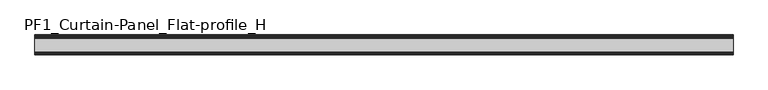
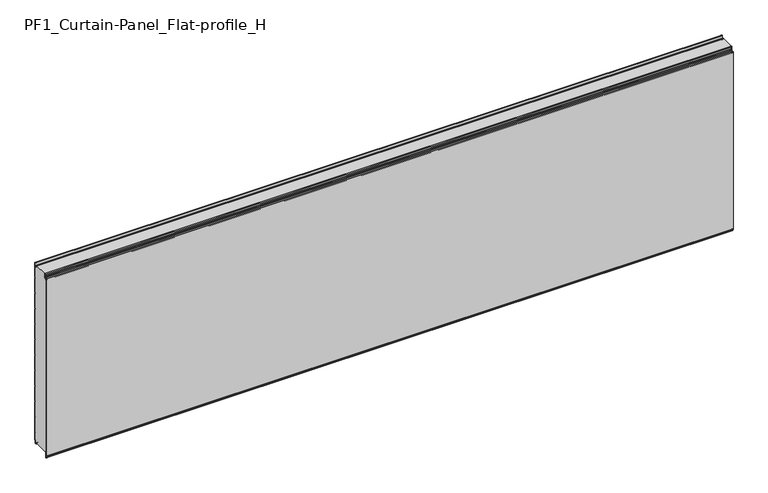
"""IFC4 building model written with IfcOpenShell, lengths in millimetres: plate geometry, PF1_Curtain-Panel_Flat-profile_H."""

from ifc_helpers import new_model, si_unit, point, frame, frame_2d, origin, place, context, project, spatial, polyline, circle_curve, trimmed, segment, composite_curve, outline, extrude, source, transform, mapped, element, save


def pf1_curtain_panel_flat_profile_h_2a830295(model_context):
    return source(origin(), model_context, "Body", "SweptSolid", [
        extrude(outline(composite_curve([segment(polyline([(-15.878557, 0.0), (-20.0, 0.0), (-20.0, 0.8), (-15.878557, 0.8)]), True, "CONTINUOUS"), segment(trimmed(circle_curve(frame_2d((-15.878557, -2.0)), 2.8), [point((-15.878557, 0.8))], [point((-13.1503208, -1.370137))], False, "CARTESIAN"), True, "CONTINUOUS"), segment(polyline([(-13.1503208, -1.370137), (-11.728236, -7.529863)]), True, "CONTINUOUS"), segment(trimmed(circle_curve(frame_2d((-9.0, -6.9)), 2.8), [point((-11.728236, -7.529863))], [point((-6.2, -6.9))], True, "CARTESIAN"), True, "CONTINUOUS"), segment(polyline([(-6.2, -6.9), (-6.2, 8.6)]), True, "CONTINUOUS"), segment(trimmed(circle_curve(frame_2d((-3.4, 8.6)), 2.8), [point((-6.2, 8.6))], [point((-3.4, 11.4))], False, "CARTESIAN"), True, "CONTINUOUS"), segment(polyline([(-3.4, 11.4), (-2.0, 11.4)]), True, "CONTINUOUS"), segment(trimmed(circle_curve(frame_2d((-2.0, 12.6)), 1.2), [point((-2.0, 11.4))], [point((-0.8, 12.6))], True, "CARTESIAN"), True, "CONTINUOUS"), segment(polyline([(-0.8, 12.6), (-0.8, 57.6856412), (-2.482606, 60.6), (-0.8, 63.5143588), (-0.8, 157.6856412), (-2.482606, 160.6), (-0.8, 163.5143588), (-0.8, 257.6856412), (-2.482606, 260.6), (-0.8, 263.5143588), (-0.8, 357.6856412), (-2.482606, 360.6), (-0.8, 363.5143588), (-0.8, 457.6856412), (-2.482606, 460.6), (-0.8, 463.5143588), (-0.8, 557.6856412), (-2.482606, 560.6), (-0.8, 563.5143588), (-0.8, 657.6856412), (-2.482606, 660.6), (-0.8, 663.5143588), (-0.8, 757.6856412), (-2.482606, 760.6), (-0.8, 763.5143588), (-0.8, 857.6856412), (-2.482606, 860.6), (-0.8, 863.5143588), (-0.8, 957.6856412), (-2.482606, 960.6), (-0.8, 963.5143588), (-0.8, 1057.6856412), (-2.482606, 1060.6), (-0.8, 1063.5143588), (-0.8, 1158.268846)]), True, "CONTINUOUS"), segment(trimmed(circle_curve(frame_2d((-2.5, 1158.268846)), 1.7), [point((-0.8, 1158.268846))], [point((-4.2, 1158.268846))], True, "CARTESIAN"), True, "CONTINUOUS"), segment(polyline([(-4.2, 1158.268846), (-4.2, 1141.268846)]), True, "CONTINUOUS"), segment(trimmed(circle_curve(frame_2d((-9.0, 1141.268846)), 4.8), [point((-4.2, 1141.268846))], [point((-13.7270771, 1140.4353344))], False, "CARTESIAN"), True, "CONTINUOUS"), segment(polyline([(-13.7270771, 1140.4353344), (-14.8636953, 1146.8814129)]), True, "CONTINUOUS"), segment(trimmed(circle_curve(frame_2d((-16.6363492, 1146.568846)), 1.8), [point((-14.8636953, 1146.8814129))], [point((-16.6363492, 1148.368846))], True, "CARTESIAN"), True, "CONTINUOUS"), segment(polyline([(-16.6363492, 1148.368846), (-20.0, 1148.368846), (-20.0, 1149.168846), (-16.6363492, 1149.168846)]), True, "CONTINUOUS"), segment(trimmed(circle_curve(frame_2d((-16.6363492, 1146.568846)), 2.6), [point((-16.6363492, 1149.168846))], [point((-14.0758491, 1147.0203315))], False, "CARTESIAN"), True, "CONTINUOUS"), segment(polyline([(-14.0758491, 1147.0203315), (-12.939231, 1140.574253)]), True, "CONTINUOUS"), segment(trimmed(circle_curve(frame_2d((-9.0, 1141.268846)), 4.0), [point((-12.939231, 1140.574253))], [point((-5.0, 1141.268846))], True, "CARTESIAN"), True, "CONTINUOUS"), segment(polyline([(-5.0, 1141.268846), (-5.0, 1158.268846)]), True, "CONTINUOUS"), segment(trimmed(circle_curve(frame_2d((-2.5, 1158.268846)), 2.5), [point((-5.0, 1158.268846))], [point((0.0, 1158.268846))], False, "CARTESIAN"), True, "CONTINUOUS"), segment(polyline([(0.0, 1158.268846), (0.0, 1063.2999995), (-1.5588455, 1060.6), (0.0, 1057.9000005), (0.0, 963.2999995), (-1.5588455, 960.6), (0.0, 957.9000005), (0.0, 863.2999995), (-1.5588455, 860.6), (0.0, 857.9000005), (0.0, 763.2999995), (-1.5588455, 760.6), (0.0, 757.9000005), (0.0, 663.2999995), (-1.5588455, 660.6), (0.0, 657.9000005), (0.0, 563.2999995), (-1.5588455, 560.6), (0.0, 557.9000005), (0.0, 463.2999995), (-1.5588455, 460.6), (0.0, 457.9000005), (0.0, 363.2999995), (-1.5588455, 360.6), (0.0, 357.9000005), (0.0, 263.2999995), (-1.5588455, 260.6), (0.0, 257.9000005), (0.0, 163.2999995), (-1.5588455, 160.6), (0.0, 157.9000005), (0.0, 63.2999995), (-1.5588455, 60.6), (0.0, 57.9000005), (0.0, 12.6)]), True, "CONTINUOUS"), segment(trimmed(circle_curve(frame_2d((-2.0, 12.6)), 2.0), [point((0.0, 12.6))], [point((-2.0, 10.6))], False, "CARTESIAN"), True, "CONTINUOUS"), segment(polyline([(-2.0, 10.6), (-3.4, 10.6)]), True, "CONTINUOUS"), segment(trimmed(circle_curve(frame_2d((-3.4, 8.6)), 2.0), [point((-3.4, 10.6))], [point((-5.4, 8.6))], True, "CARTESIAN"), True, "CONTINUOUS"), segment(polyline([(-5.4, 8.6), (-5.4, -6.9)]), True, "CONTINUOUS"), segment(trimmed(circle_curve(frame_2d((-9.0, -6.9)), 3.6), [point((-5.4, -6.9))], [point((-12.5077322, -7.7098239))], False, "CARTESIAN"), True, "CONTINUOUS"), segment(polyline([(-12.5077322, -7.7098239), (-13.929817, -1.5500979)]), True, "CONTINUOUS"), segment(trimmed(circle_curve(frame_2d((-15.878557, -2.0)), 2.0), [point((-13.929817, -1.5500979))], [point((-15.878557, 0.0))], True, "CARTESIAN"), True, "CONTINUOUS")], self_intersect=False)), frame((-2100.0, 0.0, 0.0), z_axis=(1.0, 0.0, 0.0), x_axis=(0.0, 1.0, 0.0)), (0.0, 0.0, 1.0), 4200.0),
        extrude(outline(composite_curve([segment(polyline([(-110.0, 0.0), (-113.5, 0.0)]), True, "CONTINUOUS"), segment(trimmed(circle_curve(frame_2d((-113.5, -2.0)), 2.0), [point((-113.5, 0.0))], [point((-115.5, -2.0))], True, "CARTESIAN"), True, "CONTINUOUS"), segment(polyline([(-115.5, -2.0), (-115.5, -33.0)]), True, "CONTINUOUS"), segment(trimmed(circle_curve(frame_2d((-116.5, -33.0)), 1.0), [point((-115.5, -33.0))], [point((-117.5, -33.0))], False, "CARTESIAN"), True, "CONTINUOUS"), segment(polyline([(-117.5, -33.0), (-117.5, -26.9)]), True, "CONTINUOUS"), segment(trimmed(circle_curve(frame_2d((-118.4, -26.9)), 0.9), [point((-117.5, -26.9))], [point((-118.4, -26.0))], True, "CARTESIAN"), True, "CONTINUOUS"), segment(trimmed(circle_curve(frame_2d((-118.4, -24.4)), 1.6), [point((-118.4, -26.0))], [point((-120.0, -24.4))], False, "CARTESIAN"), True, "CONTINUOUS"), segment(polyline([(-120.0, -24.4), (-120.0, 1123.168846)]), True, "CONTINUOUS"), segment(trimmed(circle_curve(frame_2d((-119.0, 1123.168846)), 1.0), [point((-120.0, 1123.168846))], [point((-118.0, 1123.168846))], False, "CARTESIAN"), True, "CONTINUOUS"), segment(polyline([(-118.0, 1123.168846), (-118.0, 1117.168846)]), True, "CONTINUOUS"), segment(trimmed(circle_curve(frame_2d((-116.5, 1117.168846)), 1.5), [point((-118.0, 1117.168846))], [point((-115.0, 1117.168846))], True, "CARTESIAN"), True, "CONTINUOUS"), segment(polyline([(-115.0, 1117.168846), (-115.0, 1117.9964664)]), True, "CONTINUOUS"), segment(trimmed(circle_curve(frame_2d((-108.8276204, 1117.9964664)), 6.1723796), [point((-115.0, 1117.9964664))], [point((-108.8276204, 1124.168846))], False, "CARTESIAN"), True, "CONTINUOUS"), segment(polyline([(-108.8276204, 1124.168846), (-108.0, 1124.168846)]), True, "CONTINUOUS"), segment(trimmed(circle_curve(frame_2d((-108.0, 1125.168846)), 1.0), [point((-108.0, 1124.168846))], [point((-107.0, 1125.168846))], True, "CARTESIAN"), True, "CONTINUOUS"), segment(polyline([(-107.0, 1125.168846), (-107.0, 1131.6688472), (-105.4999999, 1133.168846), (-107.0, 1134.6688448), (-107.0, 1146.568846)]), True, "CONTINUOUS"), segment(trimmed(circle_curve(frame_2d((-104.4, 1146.568846)), 2.6), [point((-107.0, 1146.568846))], [point((-104.4, 1149.168846))], False, "CARTESIAN"), True, "CONTINUOUS"), segment(polyline([(-104.4, 1149.168846), (-103.0, 1149.168846), (-103.0, 1148.368846), (-104.4, 1148.368846)]), True, "CONTINUOUS"), segment(trimmed(circle_curve(frame_2d((-104.4, 1146.568846)), 1.8), [point((-104.4, 1148.368846))], [point((-106.2, 1146.568846))], True, "CARTESIAN"), True, "CONTINUOUS"), segment(polyline([(-106.2, 1146.568846), (-106.2, 1135.0002158), (-104.3686285, 1133.168846), (-106.2, 1131.3374762), (-106.2, 1125.168846)]), True, "CONTINUOUS"), segment(trimmed(circle_curve(frame_2d((-108.0, 1125.168846)), 1.8), [point((-106.2, 1125.168846))], [point((-108.0, 1123.368846))], False, "CARTESIAN"), True, "CONTINUOUS"), segment(polyline([(-108.0, 1123.368846), (-108.8276204, 1123.368846)]), True, "CONTINUOUS"), segment(trimmed(circle_curve(frame_2d((-108.8276204, 1117.9964664)), 5.3723796), [point((-108.8276204, 1123.368846))], [point((-114.2, 1117.9964664))], True, "CARTESIAN"), True, "CONTINUOUS"), segment(polyline([(-114.2, 1117.9964664), (-114.2, 1117.168846)]), True, "CONTINUOUS"), segment(trimmed(circle_curve(frame_2d((-116.4, 1117.168846)), 2.2), [point((-114.2, 1117.168846))], [point((-118.6, 1117.168846))], False, "CARTESIAN"), True, "CONTINUOUS"), segment(polyline([(-118.6, 1117.168846), (-118.6, 1123.0579973)]), True, "CONTINUOUS"), segment(trimmed(circle_curve(frame_2d((-118.9, 1123.0579973)), 0.3), [point((-118.6, 1123.0579973))], [point((-119.2, 1123.0579973))], True, "CARTESIAN"), True, "CONTINUOUS"), segment(polyline([(-119.2, 1123.0579973), (-119.2, -24.4)]), True, "CONTINUOUS"), segment(trimmed(circle_curve(frame_2d((-118.4, -24.4)), 0.8), [point((-119.2, -24.4))], [point((-118.4, -25.2))], True, "CARTESIAN"), True, "CONTINUOUS"), segment(trimmed(circle_curve(frame_2d((-118.6133333, -26.9)), 1.7133333), [point((-118.4, -25.2))], [point((-116.9, -26.9))], False, "CARTESIAN"), True, "CONTINUOUS"), segment(polyline([(-116.9, -26.9), (-116.9, -32.8700312)]), True, "CONTINUOUS"), segment(trimmed(circle_curve(frame_2d((-116.6, -32.8700312)), 0.3), [point((-116.9, -32.8700312))], [point((-116.3, -32.8700312))], True, "CARTESIAN"), True, "CONTINUOUS"), segment(polyline([(-116.3, -32.8700312), (-116.3, -2.0)]), True, "CONTINUOUS"), segment(trimmed(circle_curve(frame_2d((-113.5, -2.0)), 2.8), [point((-116.3, -2.0))], [point((-113.5, 0.8))], False, "CARTESIAN"), True, "CONTINUOUS"), segment(polyline([(-113.5, 0.8), (-110.0, 0.8), (-110.0, 0.0)]), True, "CONTINUOUS")], self_intersect=False)), frame((-2100.0, 0.0, 0.0), z_axis=(1.0, 0.0, 0.0), x_axis=(0.0, 1.0, 0.0)), (0.0, 0.0, 1.0), 4200.0),
        extrude(outline(composite_curve([segment(polyline([(-110.0, 0.8), (-113.5, 0.8)]), True, "CONTINUOUS"), segment(trimmed(circle_curve(frame_2d((-113.5, -2.0)), 2.8), [point((-113.5, 0.8))], [point((-116.3, -2.0))], True, "CARTESIAN"), True, "CONTINUOUS"), segment(polyline([(-116.3, -2.0), (-116.3, -32.8700312)]), True, "CONTINUOUS"), segment(trimmed(circle_curve(frame_2d((-116.6, -32.8700312)), 0.3), [point((-116.3, -32.8700312))], [point((-116.9, -32.8700312))], False, "CARTESIAN"), True, "CONTINUOUS"), segment(polyline([(-116.9, -32.8700312), (-116.9, -26.9)]), True, "CONTINUOUS"), segment(trimmed(circle_curve(frame_2d((-118.6133333, -26.9)), 1.7133333), [point((-116.9, -26.9))], [point((-118.4, -25.2))], True, "CARTESIAN"), True, "CONTINUOUS"), segment(trimmed(circle_curve(frame_2d((-118.4, -24.4)), 0.8), [point((-118.4, -25.2))], [point((-119.2, -24.4))], False, "CARTESIAN"), True, "CONTINUOUS"), segment(polyline([(-119.2, -24.4), (-119.2, 1123.0579973)]), True, "CONTINUOUS"), segment(trimmed(circle_curve(frame_2d((-118.9, 1123.0579973)), 0.3), [point((-119.2, 1123.0579973))], [point((-118.6, 1123.0579973))], False, "CARTESIAN"), True, "CONTINUOUS"), segment(polyline([(-118.6, 1123.0579973), (-118.6, 1117.168846)]), True, "CONTINUOUS"), segment(trimmed(circle_curve(frame_2d((-116.4, 1117.168846)), 2.2), [point((-118.6, 1117.168846))], [point((-114.2, 1117.168846))], True, "CARTESIAN"), True, "CONTINUOUS"), segment(polyline([(-114.2, 1117.168846), (-114.2, 1117.9964664)]), True, "CONTINUOUS"), segment(trimmed(circle_curve(frame_2d((-108.8276204, 1117.9964664)), 5.3723796), [point((-114.2, 1117.9964664))], [point((-108.8276204, 1123.368846))], False, "CARTESIAN"), True, "CONTINUOUS"), segment(polyline([(-108.8276204, 1123.368846), (-108.0, 1123.368846)]), True, "CONTINUOUS"), segment(trimmed(circle_curve(frame_2d((-108.0, 1125.168846)), 1.8), [point((-108.0, 1123.368846))], [point((-106.2, 1125.168846))], True, "CARTESIAN"), True, "CONTINUOUS"), segment(polyline([(-106.2, 1125.168846), (-106.2, 1131.3374762), (-104.3686285, 1133.168846), (-106.2, 1135.0002158), (-106.2, 1146.568846)]), True, "CONTINUOUS"), segment(trimmed(circle_curve(frame_2d((-104.4, 1146.568846)), 1.8), [point((-106.2, 1146.568846))], [point((-104.4, 1148.368846))], False, "CARTESIAN"), True, "CONTINUOUS"), segment(polyline([(-104.4, 1148.368846), (-103.0, 1148.368846), (-103.0, 1149.168846), (-20.0, 1149.168846), (-20.0, 1148.368846), (-16.6363492, 1148.368846)]), True, "CONTINUOUS"), segment(trimmed(circle_curve(frame_2d((-16.6363492, 1146.568846)), 1.8), [point((-16.6363492, 1148.368846))], [point((-14.8636953, 1146.8814129))], False, "CARTESIAN"), True, "CONTINUOUS"), segment(polyline([(-14.8636953, 1146.8814129), (-13.7270772, 1140.4353344)]), True, "CONTINUOUS"), segment(trimmed(circle_curve(frame_2d((-9.0, 1141.268846)), 4.8), [point((-13.7270772, 1140.4353344))], [point((-4.2, 1141.268846))], True, "CARTESIAN"), True, "CONTINUOUS"), segment(polyline([(-4.2, 1141.268846), (-4.2, 1158.268846)]), True, "CONTINUOUS"), segment(trimmed(circle_curve(frame_2d((-2.5, 1158.268846)), 1.7), [point((-4.2, 1158.268846))], [point((-0.8, 1158.268846))], False, "CARTESIAN"), True, "CONTINUOUS"), segment(polyline([(-0.8, 1158.268846), (-0.8, 1063.5143588), (-2.482606, 1060.6), (-0.8, 1057.6856412), (-0.8, 963.5143588), (-2.482606, 960.6), (-0.8, 957.6856412), (-0.8, 863.5143588), (-2.482606, 860.6), (-0.8, 857.6856412), (-0.8, 763.5143588), (-2.482606, 760.6), (-0.8, 757.6856412), (-0.8, 663.5143588), (-2.482606, 660.6), (-0.8, 657.6856412), (-0.8, 563.5143588), (-2.482606, 560.6), (-0.8, 557.6856412), (-0.8, 463.5143588), (-2.482606, 460.6), (-0.8, 457.6856412), (-0.8, 363.5143588), (-2.482606, 360.6), (-0.8, 357.6856412), (-0.8, 263.5143588), (-2.482606, 260.6), (-0.8, 257.6856412), (-0.8, 163.5143588), (-2.482606, 160.6), (-0.8, 157.6856412), (-0.8, 63.5143588), (-2.482606, 60.6), (-0.8, 57.6856412), (-0.8, 12.6)]), True, "CONTINUOUS"), segment(trimmed(circle_curve(frame_2d((-2.0, 12.6)), 1.2), [point((-0.8, 12.6))], [point((-2.0, 11.4))], False, "CARTESIAN"), True, "CONTINUOUS"), segment(polyline([(-2.0, 11.4), (-3.4, 11.4)]), True, "CONTINUOUS"), segment(trimmed(circle_curve(frame_2d((-3.4, 8.6)), 2.8), [point((-3.4, 11.4))], [point((-6.2, 8.6))], True, "CARTESIAN"), True, "CONTINUOUS"), segment(polyline([(-6.2, 8.6), (-6.2, -6.9)]), True, "CONTINUOUS"), segment(trimmed(circle_curve(frame_2d((-9.0, -6.9)), 2.8), [point((-6.2, -6.9))], [point((-11.7282362, -7.529863))], False, "CARTESIAN"), True, "CONTINUOUS"), segment(polyline([(-11.7282362, -7.529863), (-13.1503208, -1.370137)]), True, "CONTINUOUS"), segment(trimmed(circle_curve(frame_2d((-15.878557, -2.0)), 2.8), [point((-13.1503208, -1.370137))], [point((-15.878557, 0.8))], True, "CARTESIAN"), True, "CONTINUOUS"), segment(polyline([(-15.878557, 0.8), (-20.0, 0.8), (-20.0, 0.0), (-110.0, 0.0), (-110.0, 0.8)]), True, "CONTINUOUS")], self_intersect=False)), frame((-2100.0, 0.0, 0.0), z_axis=(1.0, 0.0, 0.0), x_axis=(0.0, 1.0, 0.0)), (0.0, 0.0, 1.0), 4200.0),
    ])


if __name__ == "__main__":
    model = new_model("IFC4")
    model_context = context("Model", 3, world=origin())
    ifc_project = project(units=[si_unit("LENGTHUNIT", "METRE", prefix="MILLI")], contexts=[model_context])
    site = spatial("IfcSite", under=ifc_project)
    building = spatial("IfcBuilding", under=site)
    placement = place(None, origin())
    pf1_curtain_panel_flat_profile_h_shape = pf1_curtain_panel_flat_profile_h_2a830295(model_context)
    element("IfcPlate", 1, ObjectType="PF1_Curtain-Panel_Flat-profile_H", at=placement, inside=building, context=model_context, shape_type="MappedRepresentation", body=[
        mapped(pf1_curtain_panel_flat_profile_h_shape, transform((0.0, 0.0, 0.0), x_axis=(1.0, 0.0, 0.0), y_axis=(0.0, 1.0, 0.0), z_axis=(0.0, 0.0, 1.0))),
    ])
    save(model, "model.ifc")
